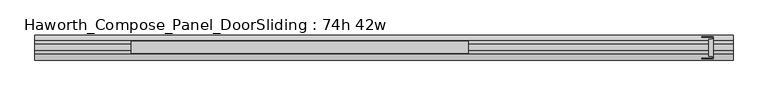
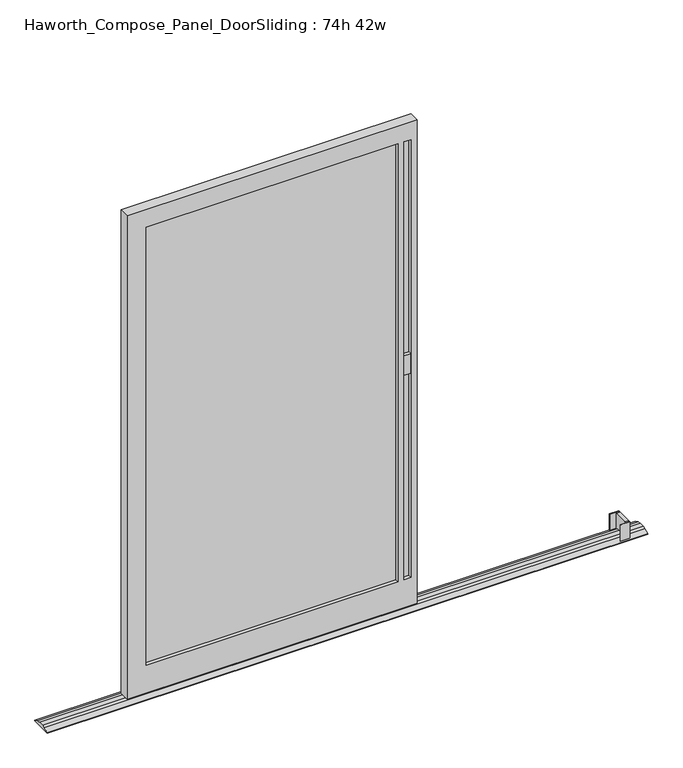
"""IFC4 building model written with IfcOpenShell, lengths in millimetres: furniture geometry, Haworth_Compose_Panel_DoorSliding : 74h 42w."""

from ifc_helpers import new_model, si_unit, frame, origin, place, context, project, spatial, polyline, circle_curve, outline, extrude, faceted_brep, source, transform, mapped, element, save
from ifc_brep_helpers import plane_surface, cylinder_surface, advanced_brep


def haworth_compose_panel_doorsliding_74h_42w_f1c5bef5(model_context):
    return source(origin(), model_context, "Body", "SolidModel", [
        extrude(outline(polyline([(546.3884771, -10.8677216), (-380.7115229, -10.8677216), (-380.7115229, 1.8322784), (546.3884771, 1.8322784), (546.3884771, -10.8677216)])), frame((0.0, 0.0, 120.65), z_axis=(0.0, 0.0, 1.0), x_axis=(1.0, 0.0, 0.0)), (0.0, 0.0, 1.0), 1701.8),
        faceted_brep([(616.2384771, 14.5322784, 1892.3), (616.2384771, 14.5322784, 12.7), (-450.5615229, 14.5322784, 12.7), (-450.5615229, 14.5322784, 1892.3), (546.3884771, 14.5322784, 1822.45), (-380.7115229, 14.5322784, 1822.45), (-380.7115229, 14.5322784, 120.65), (546.3884771, 14.5322784, 120.65), (594.0134771, 14.5322784, 1822.45), (568.6134771, 14.5322784, 1822.45), (568.6134771, 14.5322784, 120.65), (594.0134771, 14.5322784, 120.65), (-450.5615229, -23.5677216, 1892.3), (616.2384771, -23.5677216, 1892.3), (616.2384771, -23.5677216, 12.7), (-450.5615229, -23.5677216, 12.7), (546.3884771, -23.5677216, 120.65), (546.3884771, -23.5677216, 1822.45), (-380.7115229, -23.5677216, 120.65), (-380.7115229, -23.5677216, 1822.45), (594.0134771, -23.5677216, 1822.45), (594.0134771, -23.5677216, 120.65), (568.6134771, -23.5677216, 120.65), (568.6134771, -23.5677216, 1822.45), (594.0134771, 1.8322784, 120.65), (594.0134771, 1.8322784, 1822.45), (594.0134771, -10.8677216, 1822.45), (594.0134771, -10.8677216, 120.65), (568.6134771, 1.8322784, 120.65), (568.6134771, -10.8677216, 120.65), (568.6134771, 1.8322784, 1822.45), (568.6134771, -10.8677216, 1822.45)], [[[0, 1, 2, 3], [4, 5, 6, 7], [8, 9, 10, 11]], [[12, 13, 0, 3]], [[14, 15, 2, 1]], [[13, 14, 1, 0]], [[16, 17, 4, 7]], [[18, 16, 7, 6]], [[19, 18, 6, 5]], [[17, 19, 5, 4]], [[13, 12, 15, 14], [17, 16, 18, 19], [20, 21, 22, 23]], [[15, 12, 3, 2]], [[8, 11, 24, 25]], [[21, 20, 26, 27]], [[11, 10, 28, 24]], [[22, 21, 27, 29]], [[10, 9, 30, 28]], [[23, 22, 29, 31]], [[9, 8, 25, 30]], [[20, 23, 31, 26]], [[27, 26, 31, 29]], [[25, 24, 28, 30]]]),
        extrude(outline(polyline([(594.0134771, 1.8322784), (568.6134771, 1.8322784), (568.6134771, 14.5322784), (594.0134771, 14.5322784), (594.0134771, 1.8322784)])), frame((0.0, 0.0, 914.4), z_axis=(0.0, 0.0, 1.0), x_axis=(1.0, 0.0, 0.0)), (0.0, 0.0, 1.0), 76.2),
        extrude(outline(polyline([(568.6134771, -10.8677216), (594.0134771, -10.8677216), (594.0134771, -23.5677216), (568.6134771, -23.5677216), (568.6134771, -10.8677216)])), frame((0.0, 0.0, 914.4), z_axis=(0.0, 0.0, 1.0), x_axis=(1.0, 0.0, 0.0)), (0.0, 0.0, 1.0), 76.2),
        extrude(outline(polyline([(1390.9384771, 30.4072784), (1390.9384771, -39.4427216), (1356.0134771, -39.4427216), (1356.0134771, -37.8552216), (1389.3509771, -37.8552216), (1389.3509771, -31.5052216), (1376.6509771, -31.5052216), (1376.6509771, 22.4697784), (1389.3509771, 22.4697784), (1389.3509771, 28.8197784), (1356.0134771, 28.8197784), (1356.0134771, 30.4072784), (1390.9384771, 30.4072784)])), frame((0.0, 0.0, 1.5875), z_axis=(0.0, 0.0, 1.0), x_axis=(1.0, 0.0, 0.0)), (0.0, 0.0, 1.0), 65.7225),
        advanced_brep(
        [(-755.3615229, 35.1431511, 0.0), (-755.3615229, -44.1785944, 0.0), (-755.3615229, -44.1785944, 1.5875), (-755.3615229, -25.8161303, 10.1662427), (-755.3615229, -14.4066305, 12.7), (-755.3615229, 5.3711872, 12.7), (-755.3615229, 16.7630089, 10.1744939), (-755.3615229, 35.1431511, 1.6084654), (1454.4384771, 35.1431511, 0.0), (1454.4384771, 35.1431511, 1.6084654), (1454.4384771, 16.7648369, 10.178414), (1454.4384771, 5.3711872, 12.7), (1454.4384771, -14.4066305, 12.7), (1454.4384771, -25.8161303, 10.1662427), (1454.4384771, -44.1785944, 1.5875), (1454.4384771, -44.1785944, 0.0)],
        [
            (0, 1),
            (1, 2),
            (2, 3),
            (3, 4, circle_curve(frame((-755.3615229, -14.4066305, -14.2553465), z_axis=(-1.0, 0.0, 0.0), x_axis=(0.0, 0.0, 1.0)), 26.9553465)),
            (4, 5),
            (5, 6, circle_curve(frame((-755.3615229, 5.3711872, -14.2553465), z_axis=(-1.0, 0.0, 0.0), x_axis=(0.0, 0.0, 1.0)), 26.9553465)),
            (6, 7),
            (7, 0),
            (8, 9),
            (9, 10),
            (10, 11, circle_curve(frame((1454.4384771, 5.3711872, -14.2553465), z_axis=(1.0, 0.0, 0.0), x_axis=(0.0, 0.0, 1.0)), 26.9553465)),
            (11, 12),
            (12, 13, circle_curve(frame((1454.4384771, -14.4066305, -14.2553465), z_axis=(1.0, 0.0, 0.0), x_axis=(0.0, 0.0, 1.0)), 26.9553465)),
            (13, 14),
            (14, 15),
            (15, 8),
            (0, 8),
            (15, 1),
            (14, 2),
            (7, 9),
            (13, 3),
            (12, 4),
            (11, 5),
            (10, 6),
        ],
        [
            plane_surface(frame((-755.3615229, -4.5177216, 0.0), z_axis=(-1.0, 0.0, 0.0), x_axis=(0.0, -1.0, 0.0))),
            plane_surface(frame((1454.4384771, -4.5177216, 0.0), z_axis=(1.0, 0.0, 0.0), x_axis=(0.0, -1.0, 0.0))),
            plane_surface(frame((-755.3615229, 35.1431511, 0.0), z_axis=(0.0, 0.0, -1.0), x_axis=(1.0, 0.0, 0.0))),
            plane_surface(frame((-755.3615229, -44.1785944, 0.0), z_axis=(0.0, -1.0, 0.0), x_axis=(1.0, 0.0, 0.0))),
            plane_surface(frame((-755.3615229, 35.1431511, 1.6084654), z_axis=(0.0, 1.0, 0.0), x_axis=(1.0, 0.0, 0.0))),
            plane_surface(frame((-755.3615229, -44.1785944, 1.5875), z_axis=(0.0, -0.4232740908698282, 0.9060016799092155), x_axis=(1.0, 0.0, 0.0))),
            cylinder_surface(frame((-755.3615229, -14.4066305, -14.2553465), z_axis=(-1.0, 0.0, 0.0), x_axis=(0.0, 0.0, 1.0)), 26.9553465),
            plane_surface(frame((-755.3615229, -14.4066305, 12.7), z_axis=(0.0, 0.0, 1.0), x_axis=(1.0, 0.0, 0.0))),
            cylinder_surface(frame((-755.3615229, 5.3711872, -14.2553465), z_axis=(-1.0, 0.0, 0.0), x_axis=(0.0, 0.0, 1.0)), 26.9553465),
            plane_surface(frame((-755.3615229, 16.7648369, 10.178414), z_axis=(0.0, 0.42261826174076217, 0.9063077870366208), x_axis=(1.0, 0.0, 0.0))),
        ],
        [
            (0, [[1, 2, 3, 4, 5, 6, 7, 8]]),
            (1, [[9, 10, 11, 12, 13, 14, 15, 16]]),
            (2, [[-1, 17, -16, 18]]),
            (3, [[-2, -18, -15, 19]]),
            (4, [[-8, 20, -9, -17]]),
            (5, [[-3, -19, -14, 21]]),
            (6, [[-4, -21, -13, 22]]),
            (7, [[-5, -22, -12, 23]]),
            (8, [[-6, -23, -11, 24]]),
            (9, [[-7, -24, -10, -20]]),
        ],
    ),
    ])


if __name__ == "__main__":
    model = new_model("IFC4")
    model_context = context("Model", 3, world=origin())
    ifc_project = project(units=[si_unit("LENGTHUNIT", "METRE", prefix="MILLI")], contexts=[model_context])
    site = spatial("IfcSite", under=ifc_project)
    building = spatial("IfcBuilding", under=site)
    placement = place(None, origin())
    haworth_compose_panel_doorsliding_74h_42w_shape = haworth_compose_panel_doorsliding_74h_42w_f1c5bef5(model_context)
    element("IfcFurniture", 1, ObjectType="Haworth_Compose_Panel_DoorSliding : 74h 42w", at=placement, inside=building, context=model_context, shape_type="MappedRepresentation", body=[
        mapped(haworth_compose_panel_doorsliding_74h_42w_shape, transform((0.0, 0.0, 0.0), x_axis=(1.0, 0.0, 0.0), y_axis=(0.0, 1.0, 0.0), z_axis=(0.0, 0.0, 1.0))),
    ])
    save(model, "model.ifc")
